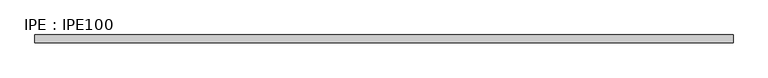
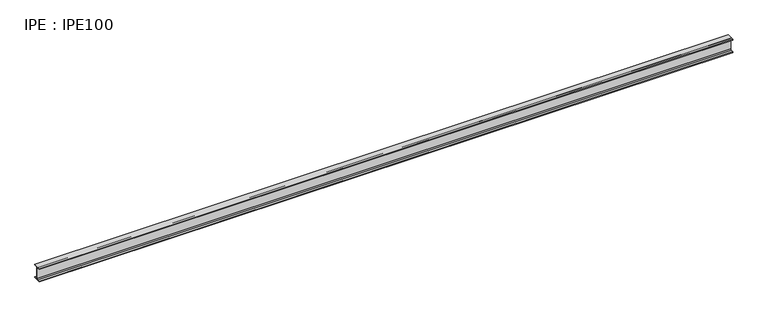
"""IFC4 building model written with IfcOpenShell, lengths in millimetres: beam geometry, IPE : IPE100."""

from ifc_helpers import new_model, si_unit, point, frame, frame_2d, origin, place, context, project, spatial, polyline, circle_curve, trimmed, segment, composite_curve, outline, extrude, source, transform, mapped, element, save


def ipe_ipe100_ed4ba9ca(model_context):
    return source(origin(), model_context, "Body", "SweptSolid", [
        extrude(outline(composite_curve([segment(polyline([(27.5, -44.3), (27.5, -50.0), (-27.5, -50.0), (-27.5, -44.3), (-9.05, -44.3)]), True, "CONTINUOUS"), segment(trimmed(circle_curve(frame_2d((-9.05, -37.3)), 7.0), [point((-9.05, -44.3))], [point((-2.05, -37.3))], True, "CARTESIAN"), True, "CONTINUOUS"), segment(polyline([(-2.05, -37.3), (-2.05, 37.3)]), True, "CONTINUOUS"), segment(trimmed(circle_curve(frame_2d((-9.05, 37.3)), 7.0), [point((-2.05, 37.3))], [point((-9.05, 44.3))], True, "CARTESIAN"), True, "CONTINUOUS"), segment(polyline([(-9.05, 44.3), (-27.5, 44.3), (-27.5, 50.0), (27.5, 50.0), (27.5, 44.3), (9.05, 44.3)]), True, "CONTINUOUS"), segment(trimmed(circle_curve(frame_2d((9.05, 37.3)), 7.0), [point((9.05, 44.3))], [point((2.05, 37.3))], True, "CARTESIAN"), True, "CONTINUOUS"), segment(polyline([(2.05, 37.3), (2.05, -37.3)]), True, "CONTINUOUS"), segment(trimmed(circle_curve(frame_2d((9.05, -37.3)), 7.0), [point((2.05, -37.3))], [point((9.05, -44.3))], True, "CARTESIAN"), True, "CONTINUOUS"), segment(polyline([(9.05, -44.3), (27.5, -44.3)]), True, "CONTINUOUS")], self_intersect=False)), frame((-2500.0, 0.0, 0.0), z_axis=(1.0, 0.0, 0.0), x_axis=(0.0, 1.0, 0.0)), (0.0, 0.0, 1.0), 4912.3),
    ])


if __name__ == "__main__":
    model = new_model("IFC4")
    model_context = context("Model", 3, world=origin())
    ifc_project = project(units=[si_unit("LENGTHUNIT", "METRE", prefix="MILLI")], contexts=[model_context])
    site = spatial("IfcSite", under=ifc_project)
    building = spatial("IfcBuilding", under=site)
    placement = place(None, origin())
    ipe_ipe100_shape = ipe_ipe100_ed4ba9ca(model_context)
    element("IfcBeam", 1, ObjectType="IPE : IPE100", at=placement, inside=building, context=model_context, shape_type="MappedRepresentation", body=[
        mapped(ipe_ipe100_shape, transform((0.0, 0.0, 0.0), x_axis=(1.0, 0.0, 0.0), y_axis=(0.0, 1.0, 0.0), z_axis=(0.0, 0.0, 1.0))),
    ])
    save(model, "model.ifc")
